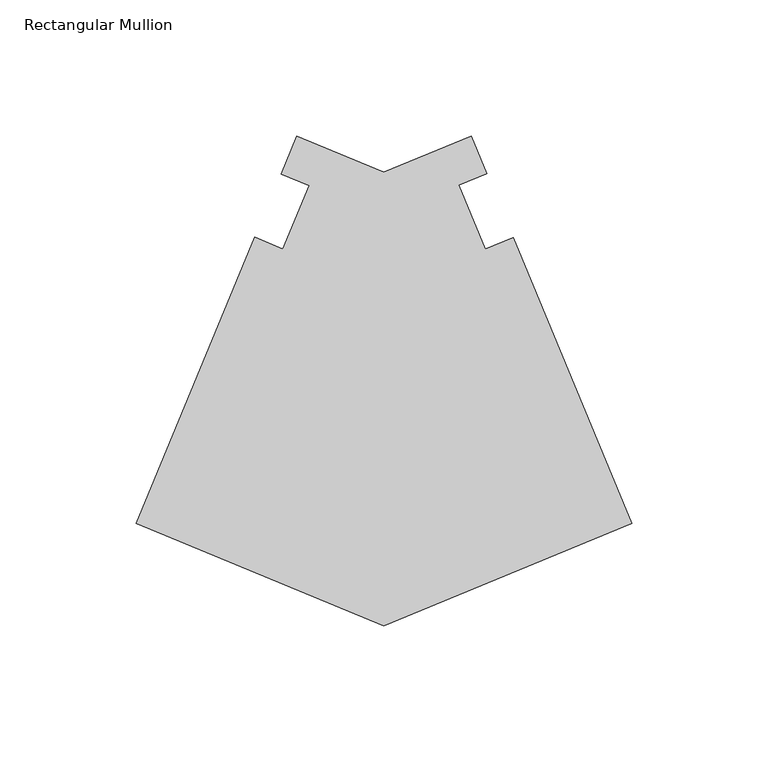
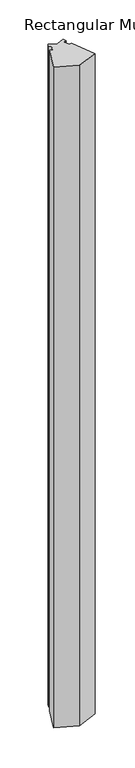
"""IFC4 building model written with IfcOpenShell, lengths in millimetres: member geometry, Rectangular Mullion."""

import ifcopenshell
import ifcopenshell.guid

model = None  # the IFC model being written
_history = None  # IfcOwnerHistory: only IFC2X3 demands one
_inside = {}  # id of a spatial element -> (the spatial element, [elements in it])
_under = {}  # id of a project, library or spatial element -> (it, [spatial elements below it])
_declared = {}  # id of a project -> (the project, [libraries it declares])
_typed = {}  # id of a type object -> (the type object, [elements of that type])
_made_of = {}  # id of a material, layer set ... -> (it, [elements and type objects made of it])


def new_model(schema):
    """Start an empty IFC model of exactly this schema.

    Asked for "IFC4X3", IfcOpenShell would pick the latest addendum, in which some entities
    have other attributes; the version numbers below select the first issue.
    IFC2X3 requires an IfcOwnerHistory on every rooted entity: one is made here for all.
    """
    global model, _history
    if schema == "IFC4X3":
        model = ifcopenshell.file(schema_version=(4, 3, 0, 0))
    else:
        model = ifcopenshell.file(schema=schema)
    _inside.clear()
    _under.clear()
    _declared.clear()
    _typed.clear()
    _made_of.clear()
    _history = None
    if model.schema == "IFC2X3":
        org = make("IfcOrganization", Name="unknown")
        user = make(
            "IfcPersonAndOrganization",
            ThePerson=make("IfcPerson", FamilyName="unknown"),
            TheOrganization=org,
        )
        app = make(
            "IfcApplication",
            ApplicationDeveloper=org,
            Version="unknown",
            ApplicationFullName="unknown",
            ApplicationIdentifier="unknown",
        )
        _history = make(
            "IfcOwnerHistory",
            OwningUser=user,
            OwningApplication=app,
            ChangeAction="ADDED",
            CreationDate=0,
        )
    return model


def make(cls, **values):
    """One entity of the class cls with the attributes given. An attribute that is None is left unset."""
    return model.create_entity(
        cls, **{name: value for name, value in values.items() if value is not None}
    )


def rooted(cls, **values):
    """An entity with a GlobalId (a new one), such as an element, a storey or a relation."""
    return make(cls, GlobalId=ifcopenshell.guid.new(), OwnerHistory=_history, **values)


def si_unit(unit_type, name, prefix=None):
    """IfcSIUnit, for example si_unit("LENGTHUNIT", "METRE", prefix="MILLI")."""
    return make("IfcSIUnit", UnitType=unit_type, Prefix=prefix, Name=name)


def assignment(units):
    """IfcUnitAssignment: the units of a project."""
    return None if units is None else make("IfcUnitAssignment", Units=units)


def point(xyz):
    """IfcCartesianPoint."""
    return None if xyz is None else make("IfcCartesianPoint", Coordinates=xyz)


def direction(xyz):
    """IfcDirection."""
    return None if xyz is None else make("IfcDirection", DirectionRatios=xyz)


def frame(location, z_axis=None, x_axis=None):
    """IfcAxis2Placement3D, a coordinate frame: its origin and axes. An axis left out is left unset."""
    return make(
        "IfcAxis2Placement3D",
        Location=point(location),
        Axis=direction(z_axis),
        RefDirection=direction(x_axis),
    )


def origin():
    """The frame at (0, 0, 0) with its axes left unset."""
    return frame((0.0, 0.0, 0.0))


def place(relative_to, where):
    """IfcLocalPlacement: puts the frame where relative to a parent placement (None: the world)."""
    return make(
        "IfcLocalPlacement", PlacementRelTo=relative_to, RelativePlacement=where
    )


def context(
    kind, dimensions, precision=None, world=None, true_north=None, identifier=None
):
    """IfcGeometricRepresentationContext, for example the 3D "Model" context."""
    return make(
        "IfcGeometricRepresentationContext",
        ContextIdentifier=identifier,
        ContextType=kind,
        CoordinateSpaceDimension=dimensions,
        Precision=precision,
        WorldCoordinateSystem=world,
        TrueNorth=true_north,
    )


def project(units=None, contexts=None):
    """IfcProject with its units and contexts."""
    return rooted(
        "IfcProject",
        Name="project",
        RepresentationContexts=contexts,
        UnitsInContext=assignment(units),
    )


def spatial(cls, under=None, at=None, **own):
    """A site, building, storey or space (cls), placed at a placement, below another one or the project."""
    s = rooted(cls, ObjectPlacement=at, **own)
    if under is not None:
        _under.setdefault(under.id(), (under, []))[1].append(s)
    return s


def polyline(points):
    """IfcPolyline through the points."""
    return make("IfcPolyline", Points=[point(p) for p in points])


def outline(outer, holes=None, kind="AREA"):
    """IfcArbitraryClosedProfileDef: a profile drawn as a closed curve; with holes, ...WithVoids."""
    if holes is None:
        return make("IfcArbitraryClosedProfileDef", ProfileType=kind, OuterCurve=outer)
    return make(
        "IfcArbitraryProfileDefWithVoids",
        ProfileType=kind,
        OuterCurve=outer,
        InnerCurves=holes,
    )


def extrude(swept, where, along, depth):
    """IfcExtrudedAreaSolid: the profile swept, set in the frame where, extruded along a direction by depth."""
    return make(
        "IfcExtrudedAreaSolid",
        SweptArea=swept,
        Position=where,
        ExtrudedDirection=direction(along),
        Depth=depth,
    )


def shape(context_of_items, identifier, shape_type, items):
    """IfcShapeRepresentation: the items that make up one representation, for example the "Body"."""
    return make(
        "IfcShapeRepresentation",
        ContextOfItems=context_of_items,
        RepresentationIdentifier=identifier,
        RepresentationType=shape_type,
        Items=items,
    )


def source(mapping_origin, context_of_items, identifier, shape_type, items):
    """IfcRepresentationMap: a shape defined once, which mapped items show again and again."""
    return make(
        "IfcRepresentationMap",
        MappingOrigin=mapping_origin,
        MappedRepresentation=shape(context_of_items, identifier, shape_type, items),
    )


def transform(
    local_origin,
    x_axis=None,
    y_axis=None,
    z_axis=None,
    scale=None,
    scale2=None,
    scale3=None,
    uniform=True,
):
    """IfcCartesianTransformationOperator3D, or its non-uniform kind. x_axis, y_axis, z_axis: its Axis1, 2, 3."""
    if uniform:
        return make(
            "IfcCartesianTransformationOperator3D",
            Axis1=direction(x_axis),
            Axis2=direction(y_axis),
            LocalOrigin=point(local_origin),
            Scale=scale,
            Axis3=direction(z_axis),
        )
    return make(
        "IfcCartesianTransformationOperator3DnonUniform",
        Axis1=direction(x_axis),
        Axis2=direction(y_axis),
        LocalOrigin=point(local_origin),
        Scale=scale,
        Axis3=direction(z_axis),
        Scale2=scale2,
        Scale3=scale3,
    )


def mapped(mapping_source, mapping_target):
    """IfcMappedItem: shows the shape of a source again, moved by a transform."""
    return make(
        "IfcMappedItem", MappingSource=mapping_source, MappingTarget=mapping_target
    )


def made_of(thing, what):
    """Note that an element or type object is made of a material, layer set ...; save() writes the relation."""
    if what is not None:
        _made_of.setdefault(what.id(), (what, []))[1].append(thing)
    return thing


def element(
    cls,
    number,
    at=None,
    inside=None,
    cuts=None,
    type_object=None,
    material=None,
    context=None,
    identifier="Body",
    shape_type=None,
    held_by="IfcProductDefinitionShape",
    body=None,
    shapes=None,
    **own,
):
    """One element of the class cls, such as IfcWall. Its Tag is "e" and its number.

    at: its placement. inside: the storey or other place that contains it. cuts: it is an
    opening in that element (IfcRelVoidsElement). A single representation is given by context,
    identifier, shape_type and body (its items); several are given by shapes. held_by: the class
    of the entity that holds the representations. save() writes the other relations.
    """
    e = rooted(cls, Tag="e%d" % number, ObjectPlacement=at, **own)
    if body is not None:
        shapes = [shape(context, identifier, shape_type, body)]
    if shapes is not None:
        e.Representation = make(held_by, Representations=shapes)
    if inside is not None:
        _inside.setdefault(inside.id(), (inside, []))[1].append(e)
    if cuts is not None:
        rooted(
            "IfcRelVoidsElement", RelatingBuildingElement=cuts, RelatedOpeningElement=e
        )
    if type_object is not None:
        _typed.setdefault(type_object.id(), (type_object, []))[1].append(e)
    return made_of(e, material)


def aggregate(whole, parts):
    """IfcRelAggregates: a whole, such as a stair, and the parts it consists of."""
    return rooted("IfcRelAggregates", RelatingObject=whole, RelatedObjects=parts)


def save(model, path):
    """Write the relations noted so far, then the file.

    IfcRelAggregates (storeys below a building ...), IfcRelContainedInSpatialStructure (elements
    in a storey), IfcRelDefinesByType, IfcRelAssociatesMaterial and IfcRelDeclares: one each for
    every whole, place, type object, material and project.
    """
    for whole, parts in _under.values():
        aggregate(whole, parts)
    for where, things in _inside.values():
        rooted(
            "IfcRelContainedInSpatialStructure",
            RelatedElements=things,
            RelatingStructure=where,
        )
    for kind, things in _typed.values():
        rooted("IfcRelDefinesByType", RelatedObjects=things, RelatingType=kind)
    for what, things in _made_of.values():
        rooted("IfcRelAssociatesMaterial", RelatedObjects=things, RelatingMaterial=what)
    for by, libraries in _declared.values():
        rooted("IfcRelDeclares", RelatingContext=by, RelatedDefinitions=libraries)
    model.write(path)


def rectangular_mullion_6088d0d9(model_context):
    return source(origin(), model_context, "Body", "SweptSolid", [
        extrude(outline(polyline([(-90.9340163, -86.1001608), (-181.8652, -48.4352313), (-138.3252273, 56.6795613), (-128.058616, 52.4269916), (-118.4235419, 75.6881182), (-128.6901532, 79.9406878), (-122.941595, 93.8189349), (-90.9340163, 80.5609617), (-58.923605, 93.8201082), (-53.1986175, 79.9987657), (-63.4652288, 75.7461961), (-53.7560615, 52.3061929), (-43.4894502, 56.5587625), (0.0, -48.434058), (-90.9340163, -86.1001608)])), frame((0.0, 0.0, -3048.0), z_axis=(0.0, 0.0, 1.0), x_axis=(1.0, 0.0, 0.0)), (0.0, 0.0, 1.0), 3048.0),
    ])


if __name__ == "__main__":
    model = new_model("IFC4")
    model_context = context("Model", 3, world=origin())
    ifc_project = project(units=[si_unit("LENGTHUNIT", "METRE", prefix="MILLI")], contexts=[model_context])
    site = spatial("IfcSite", under=ifc_project)
    building = spatial("IfcBuilding", under=site)
    placement = place(None, origin())
    rectangular_mullion_shape = rectangular_mullion_6088d0d9(model_context)
    element("IfcMember", 1, ObjectType="Rectangular Mullion", at=placement, inside=building, context=model_context, shape_type="MappedRepresentation", body=[
        mapped(rectangular_mullion_shape, transform((0.0, 0.0, 0.0), x_axis=(1.0, 0.0, 0.0), y_axis=(0.0, 1.0, 0.0), z_axis=(0.0, 0.0, 1.0))),
    ])
    save(model, "model.ifc")
